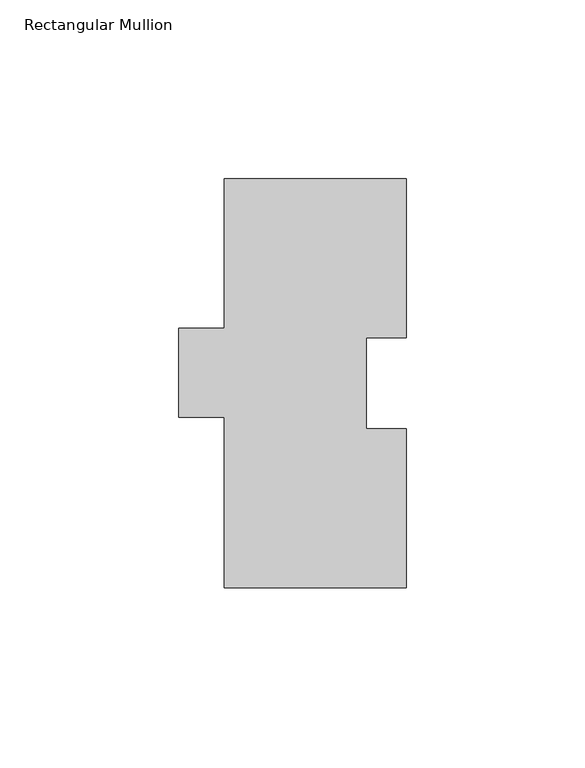
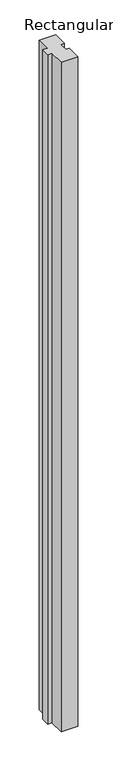
"""IFC4 building model written with IfcOpenShell, lengths in millimetres: member geometry, Rectangular Mullion."""

from ifc_helpers import new_model, si_unit, frame, origin, place, context, project, spatial, polyline, outline, extrude, source, transform, mapped, element, save


def rectangular_mullion_f9cdfb2f(model_context):
    return source(origin(), model_context, "Body", "SweptSolid", [
        extrude(outline(polyline([(25.4, 114.2357062), (25.4, 69.7857063), (14.2875, 69.7857063), (14.2875, 44.3857063), (25.4, 44.3857063), (25.4, -0.0642938), (-25.4, -0.0642938), (-25.4, 47.5607062), (-38.1, 47.5607062), (-38.1, 72.5289063), (-25.4, 72.5289063), (-25.4, 114.2357062), (25.4, 114.2357062)])), frame((0.0, 0.0, -2133.6), z_axis=(0.0, 0.0, 1.0), x_axis=(1.0, 0.0, 0.0)), (0.0, 0.0, 1.0), 2133.6),
    ])


if __name__ == "__main__":
    model = new_model("IFC4")
    model_context = context("Model", 3, world=origin())
    ifc_project = project(units=[si_unit("LENGTHUNIT", "METRE", prefix="MILLI")], contexts=[model_context])
    site = spatial("IfcSite", under=ifc_project)
    building = spatial("IfcBuilding", under=site)
    placement = place(None, origin())
    rectangular_mullion_shape = rectangular_mullion_f9cdfb2f(model_context)
    element("IfcMember", 1, ObjectType="Rectangular Mullion", at=placement, inside=building, context=model_context, shape_type="MappedRepresentation", body=[
        mapped(rectangular_mullion_shape, transform((0.0, 0.0, 0.0), x_axis=(1.0, 0.0, 0.0), y_axis=(0.0, 1.0, 0.0), z_axis=(0.0, 0.0, 1.0))),
    ])
    save(model, "model.ifc")
